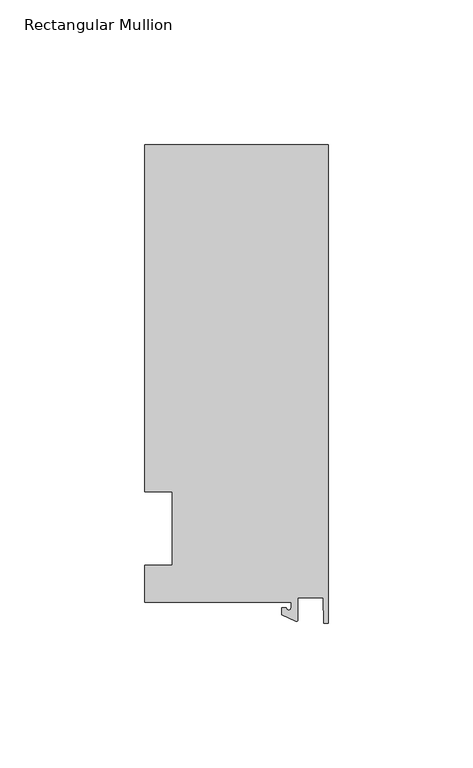
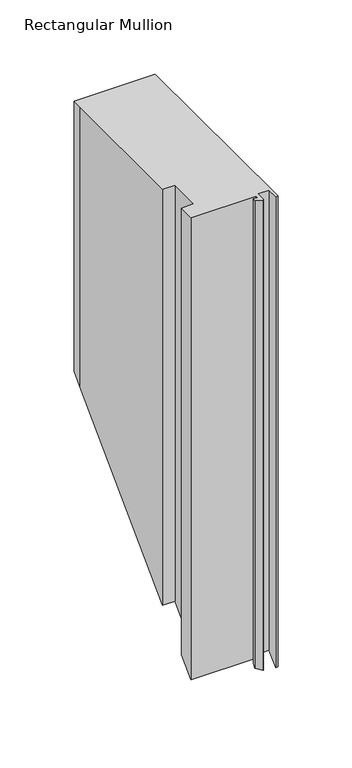
"""IFC4 building model written with IfcOpenShell, lengths in millimetres: member geometry, Rectangular Mullion."""

import ifcopenshell
import ifcopenshell.guid

model = None  # the IFC model being written
_history = None  # IfcOwnerHistory: only IFC2X3 demands one
_inside = {}  # id of a spatial element -> (the spatial element, [elements in it])
_under = {}  # id of a project, library or spatial element -> (it, [spatial elements below it])
_declared = {}  # id of a project -> (the project, [libraries it declares])
_typed = {}  # id of a type object -> (the type object, [elements of that type])
_made_of = {}  # id of a material, layer set ... -> (it, [elements and type objects made of it])


def new_model(schema):
    """Start an empty IFC model of exactly this schema.

    Asked for "IFC4X3", IfcOpenShell would pick the latest addendum, in which some entities
    have other attributes; the version numbers below select the first issue.
    IFC2X3 requires an IfcOwnerHistory on every rooted entity: one is made here for all.
    """
    global model, _history
    if schema == "IFC4X3":
        model = ifcopenshell.file(schema_version=(4, 3, 0, 0))
    else:
        model = ifcopenshell.file(schema=schema)
    _inside.clear()
    _under.clear()
    _declared.clear()
    _typed.clear()
    _made_of.clear()
    _history = None
    if model.schema == "IFC2X3":
        org = make("IfcOrganization", Name="unknown")
        user = make(
            "IfcPersonAndOrganization",
            ThePerson=make("IfcPerson", FamilyName="unknown"),
            TheOrganization=org,
        )
        app = make(
            "IfcApplication",
            ApplicationDeveloper=org,
            Version="unknown",
            ApplicationFullName="unknown",
            ApplicationIdentifier="unknown",
        )
        _history = make(
            "IfcOwnerHistory",
            OwningUser=user,
            OwningApplication=app,
            ChangeAction="ADDED",
            CreationDate=0,
        )
    return model


def make(cls, **values):
    """One entity of the class cls with the attributes given. An attribute that is None is left unset."""
    return model.create_entity(
        cls, **{name: value for name, value in values.items() if value is not None}
    )


def rooted(cls, **values):
    """An entity with a GlobalId (a new one), such as an element, a storey or a relation."""
    return make(cls, GlobalId=ifcopenshell.guid.new(), OwnerHistory=_history, **values)


def si_unit(unit_type, name, prefix=None):
    """IfcSIUnit, for example si_unit("LENGTHUNIT", "METRE", prefix="MILLI")."""
    return make("IfcSIUnit", UnitType=unit_type, Prefix=prefix, Name=name)


def assignment(units):
    """IfcUnitAssignment: the units of a project."""
    return None if units is None else make("IfcUnitAssignment", Units=units)


def point(xyz):
    """IfcCartesianPoint."""
    return None if xyz is None else make("IfcCartesianPoint", Coordinates=xyz)


def direction(xyz):
    """IfcDirection."""
    return None if xyz is None else make("IfcDirection", DirectionRatios=xyz)


def frame(location, z_axis=None, x_axis=None):
    """IfcAxis2Placement3D, a coordinate frame: its origin and axes. An axis left out is left unset."""
    return make(
        "IfcAxis2Placement3D",
        Location=point(location),
        Axis=direction(z_axis),
        RefDirection=direction(x_axis),
    )


def origin():
    """The frame at (0, 0, 0) with its axes left unset."""
    return frame((0.0, 0.0, 0.0))


def place(relative_to, where):
    """IfcLocalPlacement: puts the frame where relative to a parent placement (None: the world)."""
    return make(
        "IfcLocalPlacement", PlacementRelTo=relative_to, RelativePlacement=where
    )


def context(
    kind, dimensions, precision=None, world=None, true_north=None, identifier=None
):
    """IfcGeometricRepresentationContext, for example the 3D "Model" context."""
    return make(
        "IfcGeometricRepresentationContext",
        ContextIdentifier=identifier,
        ContextType=kind,
        CoordinateSpaceDimension=dimensions,
        Precision=precision,
        WorldCoordinateSystem=world,
        TrueNorth=true_north,
    )


def project(units=None, contexts=None):
    """IfcProject with its units and contexts."""
    return rooted(
        "IfcProject",
        Name="project",
        RepresentationContexts=contexts,
        UnitsInContext=assignment(units),
    )


def spatial(cls, under=None, at=None, **own):
    """A site, building, storey or space (cls), placed at a placement, below another one or the project."""
    s = rooted(cls, ObjectPlacement=at, **own)
    if under is not None:
        _under.setdefault(under.id(), (under, []))[1].append(s)
    return s


def polyline(points):
    """IfcPolyline through the points."""
    return make("IfcPolyline", Points=[point(p) for p in points])


def circle_curve(where, radius):
    """IfcCircle in the frame where."""
    return make("IfcCircle", Position=where, Radius=radius)


def ellipse_curve(where, semi_axis1, semi_axis2):
    """IfcEllipse in the frame where."""
    return make(
        "IfcEllipse", Position=where, SemiAxis1=semi_axis1, SemiAxis2=semi_axis2
    )


def shape(context_of_items, identifier, shape_type, items):
    """IfcShapeRepresentation: the items that make up one representation, for example the "Body"."""
    return make(
        "IfcShapeRepresentation",
        ContextOfItems=context_of_items,
        RepresentationIdentifier=identifier,
        RepresentationType=shape_type,
        Items=items,
    )


def source(mapping_origin, context_of_items, identifier, shape_type, items):
    """IfcRepresentationMap: a shape defined once, which mapped items show again and again."""
    return make(
        "IfcRepresentationMap",
        MappingOrigin=mapping_origin,
        MappedRepresentation=shape(context_of_items, identifier, shape_type, items),
    )


def transform(
    local_origin,
    x_axis=None,
    y_axis=None,
    z_axis=None,
    scale=None,
    scale2=None,
    scale3=None,
    uniform=True,
):
    """IfcCartesianTransformationOperator3D, or its non-uniform kind. x_axis, y_axis, z_axis: its Axis1, 2, 3."""
    if uniform:
        return make(
            "IfcCartesianTransformationOperator3D",
            Axis1=direction(x_axis),
            Axis2=direction(y_axis),
            LocalOrigin=point(local_origin),
            Scale=scale,
            Axis3=direction(z_axis),
        )
    return make(
        "IfcCartesianTransformationOperator3DnonUniform",
        Axis1=direction(x_axis),
        Axis2=direction(y_axis),
        LocalOrigin=point(local_origin),
        Scale=scale,
        Axis3=direction(z_axis),
        Scale2=scale2,
        Scale3=scale3,
    )


def mapped(mapping_source, mapping_target):
    """IfcMappedItem: shows the shape of a source again, moved by a transform."""
    return make(
        "IfcMappedItem", MappingSource=mapping_source, MappingTarget=mapping_target
    )


def made_of(thing, what):
    """Note that an element or type object is made of a material, layer set ...; save() writes the relation."""
    if what is not None:
        _made_of.setdefault(what.id(), (what, []))[1].append(thing)
    return thing


def element(
    cls,
    number,
    at=None,
    inside=None,
    cuts=None,
    type_object=None,
    material=None,
    context=None,
    identifier="Body",
    shape_type=None,
    held_by="IfcProductDefinitionShape",
    body=None,
    shapes=None,
    **own,
):
    """One element of the class cls, such as IfcWall. Its Tag is "e" and its number.

    at: its placement. inside: the storey or other place that contains it. cuts: it is an
    opening in that element (IfcRelVoidsElement). A single representation is given by context,
    identifier, shape_type and body (its items); several are given by shapes. held_by: the class
    of the entity that holds the representations. save() writes the other relations.
    """
    e = rooted(cls, Tag="e%d" % number, ObjectPlacement=at, **own)
    if body is not None:
        shapes = [shape(context, identifier, shape_type, body)]
    if shapes is not None:
        e.Representation = make(held_by, Representations=shapes)
    if inside is not None:
        _inside.setdefault(inside.id(), (inside, []))[1].append(e)
    if cuts is not None:
        rooted(
            "IfcRelVoidsElement", RelatingBuildingElement=cuts, RelatedOpeningElement=e
        )
    if type_object is not None:
        _typed.setdefault(type_object.id(), (type_object, []))[1].append(e)
    return made_of(e, material)


def aggregate(whole, parts):
    """IfcRelAggregates: a whole, such as a stair, and the parts it consists of."""
    return rooted("IfcRelAggregates", RelatingObject=whole, RelatedObjects=parts)


def save(model, path):
    """Write the relations noted so far, then the file.

    IfcRelAggregates (storeys below a building ...), IfcRelContainedInSpatialStructure (elements
    in a storey), IfcRelDefinesByType, IfcRelAssociatesMaterial and IfcRelDeclares: one each for
    every whole, place, type object, material and project.
    """
    for whole, parts in _under.values():
        aggregate(whole, parts)
    for where, things in _inside.values():
        rooted(
            "IfcRelContainedInSpatialStructure",
            RelatedElements=things,
            RelatingStructure=where,
        )
    for kind, things in _typed.values():
        rooted("IfcRelDefinesByType", RelatedObjects=things, RelatingType=kind)
    for what, things in _made_of.values():
        rooted("IfcRelAssociatesMaterial", RelatedObjects=things, RelatingMaterial=what)
    for by, libraries in _declared.values():
        rooted("IfcRelDeclares", RelatingContext=by, RelatedDefinitions=libraries)
    model.write(path)


def plane_surface(at):
    """IfcPlane: the flat surface through the origin of the frame at, square to its z axis."""
    return make("IfcPlane", Position=at)


def cylinder_surface(at, radius):
    """IfcCylindricalSurface: all points at the distance radius from the z axis of the frame at."""
    return make("IfcCylindricalSurface", Position=at, Radius=radius)


def revolved_surface(curve, axis_point, axis_direction):
    """IfcSurfaceOfRevolution: the curve turned about the line through axis_point along axis_direction."""
    return make(
        "IfcSurfaceOfRevolution",
        SweptCurve=make("IfcArbitraryOpenProfileDef", ProfileType="CURVE", Curve=curve),
        AxisPosition=make("IfcAxis1Placement", Location=point(axis_point), Axis=direction(axis_direction)),
    )


def advanced_brep(points, edges, surfaces, faces):
    """IfcAdvancedBrep: a solid bounded by faces that lie on surfaces and meet in shared edges.

    An edge is (start, end): straight between two places in points (the first is 0);
    or (start, end, curve); or (start, end, curve, False) where it runs against its curve.
    A face is (place in surfaces, loops), or (place, loops, False) where it looks against
    its surface's normal. A loop lists edges by number (the first is 1), with a minus sign
    where the edge is run from its end to its start. The first loop is the outer one.
    """
    corners = [point(p) for p in points]
    vertices = [make("IfcVertexPoint", VertexGeometry=c) for c in corners]
    made = []
    for start, end, *more in edges:
        made.append(
            make(
                "IfcEdgeCurve",
                EdgeStart=vertices[start],
                EdgeEnd=vertices[end],
                EdgeGeometry=more[0] if more else make("IfcPolyline", Points=[corners[start], corners[end]]),
                SameSense=more[1] if len(more) > 1 else True,
            )
        )
    hull = []
    for where, loops, *sense in faces:
        bounds = []
        for j, loop in enumerate(loops):
            ring = [make("IfcOrientedEdge", EdgeElement=made[abs(k) - 1], Orientation=k > 0) for k in loop]
            bounds.append(
                make(
                    "IfcFaceOuterBound" if j == 0 else "IfcFaceBound",
                    Bound=make("IfcEdgeLoop", EdgeList=ring),
                    Orientation=True,
                )
            )
        hull.append(make("IfcAdvancedFace", Bounds=bounds, FaceSurface=surfaces[where], SameSense=sense[0] if sense else True))
    return make("IfcAdvancedBrep", Outer=make("IfcClosedShell", CfsFaces=hull))


def rectangular_mullion_e5ec90b6(model_context):
    return source(origin(), model_context, "Body", "AdvancedBrep", [
        advanced_brep(
        [(-12.8216721, -25.5984375, 0.0), (-12.8216721, -27.5208534, 0.0), (-14.4091721, -27.5208534, 0.0), (-15.9966721, -27.5208534, 0.0), (-15.9966721, -29.8830527, 0.0), (-11.1567622, -32.1399398, 0.0), (-10.4340721, -31.6795354, 0.0), (-10.4340721, -23.9227662, 0.0), (-1.7144124, -23.9227662, 0.0), (-1.5566453, -32.810012, 0.0), (0.0, -32.810012, 0.0), (0.0, 132.822512, 0.0), (-63.5, 132.822512, 0.0), (-63.5, 125.075512, 0.0), (-63.5, 12.7, 0.0), (-53.975, 12.7, 0.0), (-53.975, -12.7, 0.0), (-63.5, -12.7, 0.0), (-63.5, -25.5984375, 0.0), (-12.8216721, -25.5984375, -381.1984375), (-12.8216721, -27.5208534, -383.1208534), (-14.4091721, -27.5208534, -383.1208534), (-15.9966721, -27.5208534, -383.1208534), (-15.9966721, -29.8830527, -385.4830527), (-11.1567622, -32.1399398, -387.7399398), (-10.4340721, -31.6795354, -387.2795354), (-10.4340721, -23.9227662, -379.5227662), (-1.7144124, -23.9227662, -379.5227662), (-1.5566453, -32.810012, -388.410012), (0.0, -32.810012, -388.410012), (0.0, 132.822512, -222.777488), (-63.5, 132.822512, -222.777488), (-63.5, 125.075512, -230.524488), (-63.5, 12.7, -342.9), (-53.975, 12.7, -342.9), (-53.975, -12.7, -368.3), (-63.5, -12.7, -368.3), (-63.5, -25.5984375, -381.1984375)],
        [
            (0, 1),
            (1, 2, circle_curve(frame((-13.6154221, -27.5208534, 0.0), z_axis=(0.0, 0.0, -1.0), x_axis=(-1.0, 0.0, 0.0)), 0.79375)),
            (2, 3),
            (3, 4),
            (4, 5),
            (5, 6, circle_curve(frame((-10.9420721, -31.6795354, 0.0), z_axis=(0.0, 0.0, 1.0), x_axis=(-1.0, 0.0, 0.0)), 0.508)),
            (6, 7),
            (7, 8),
            (8, 9),
            (9, 10),
            (10, 11),
            (11, 12),
            (12, 13),
            (13, 14),
            (14, 15),
            (15, 16),
            (16, 17),
            (17, 18),
            (18, 0),
            (0, 19),
            (19, 20),
            (20, 1),
            (20, 21, ellipse_curve(frame((-13.6154221, -27.5208534, -383.1208534), z_axis=(0.0, 0.7071067811865499, -0.7071067811865451), x_axis=(0.0, -0.7071067811865451, -0.7071067811865498)), 1.122532, 0.79375)),
            (21, 2),
            (21, 22),
            (22, 3),
            (22, 23),
            (23, 4),
            (23, 24),
            (24, 5),
            (24, 25, ellipse_curve(frame((-10.9420721, -31.6795354, -387.2795354), z_axis=(0.0, -0.7071067811865499, 0.7071067811865451), x_axis=(0.0, 0.7071067811865451, 0.7071067811865498)), 0.7184205, 0.508)),
            (25, 6),
            (25, 26),
            (26, 7),
            (26, 27),
            (27, 8),
            (27, 28),
            (28, 9),
            (28, 29),
            (29, 10),
            (29, 30),
            (30, 11),
            (30, 31),
            (31, 12),
            (31, 32),
            (32, 13),
            (32, 33),
            (33, 14),
            (33, 34),
            (34, 15),
            (34, 35),
            (35, 16),
            (35, 36),
            (36, 17),
            (36, 37),
            (37, 18),
            (37, 19),
        ],
        [
            plane_surface(frame((0.0, -147.2211591, 0.0), z_axis=(0.0, 0.0, 1.0), x_axis=(-1.0, 0.0, 0.0))),
            plane_surface(frame((-12.8216721, -25.5984375, 0.0), z_axis=(-1.0, 0.0, 0.0), x_axis=(0.0, 0.0, -1.0))),
            revolved_surface(polyline([(-14.4091721, -27.5208534, -383.91460338929886), (-14.4091721, -27.5208534, 0.0)]), (-13.6154221, -27.5208534, 0.0), (0.0, 0.0, -1.0)),
            plane_surface(frame((-14.4091721, -27.5208534, 0.0), z_axis=(0.0, 1.0, 0.0), x_axis=(0.0, 0.0, -1.0))),
            plane_surface(frame((-15.9966721, -27.5208534, 0.0), z_axis=(-1.0, 0.0, 0.0), x_axis=(0.0, 0.0, -1.0))),
            plane_surface(frame((-15.9966721, -29.8830527, 0.0), z_axis=(-0.4226182617406985, -0.9063077870366505, 0.0), x_axis=(0.0, 0.0, -1.0))),
            cylinder_surface(frame((-10.9420721, -31.6795354, 0.0), z_axis=(0.0, 0.0, 1.0), x_axis=(-1.0, 0.0, 0.0)), 0.508),
            plane_surface(frame((-10.4340721, -31.6795354, 0.0), z_axis=(1.0, 0.0, 0.0), x_axis=(0.0, 0.0, -1.0))),
            plane_surface(frame((-10.4340721, -23.9227662, 0.0), z_axis=(0.0, -1.0, 0.0), x_axis=(0.0, 0.0, -1.0))),
            plane_surface(frame((-1.7144124, -23.9227662, 0.0), z_axis=(-0.9998424690407919, -0.017749284560600327, 0.0), x_axis=(0.0, 0.0, -1.0))),
            plane_surface(frame((-1.5566453, -32.810012, 0.0), z_axis=(0.0, -1.0, 0.0), x_axis=(0.0, 0.0, -1.0))),
            plane_surface(frame((0.0, -32.810012, 0.0), z_axis=(1.0, 0.0, 0.0), x_axis=(0.0, 0.0, -1.0))),
            plane_surface(frame((0.0, 132.822512, 0.0), z_axis=(0.0, 1.0, 0.0), x_axis=(0.0, 0.0, -1.0))),
            plane_surface(frame((-63.5, 132.822512, 0.0), z_axis=(-1.0, 0.0, 0.0), x_axis=(0.0, 0.0, -1.0))),
            plane_surface(frame((-63.5, 125.075512, 0.0), z_axis=(-1.0, 0.0, 0.0), x_axis=(0.0, 0.0, -1.0))),
            plane_surface(frame((-63.5, 12.7, 0.0), z_axis=(0.0, -1.0, 0.0), x_axis=(0.0, 0.0, -1.0))),
            plane_surface(frame((-53.975, 12.7, 0.0), z_axis=(-1.0, 0.0, 0.0), x_axis=(0.0, 0.0, -1.0))),
            plane_surface(frame((-53.975, -12.7, 0.0), z_axis=(0.0, 1.0, 0.0), x_axis=(0.0, 0.0, -1.0))),
            plane_surface(frame((-63.5, -12.7, 0.0), z_axis=(-1.0, 0.0, 0.0), x_axis=(0.0, 0.0, -1.0))),
            plane_surface(frame((-63.5, -25.5984375, 0.0), z_axis=(0.0, -1.0, 0.0), x_axis=(0.0, 0.0, -1.0))),
            plane_surface(frame((-304.8, 0.0, -355.6), z_axis=(0.0, 0.7071067811865499, -0.7071067811865451), x_axis=(0.0, 0.7071067811865451, 0.7071067811865499))),
        ],
        [
            (0, [[1, 2, 3, 4, 5, 6, 7, 8, 9, 10, 11, 12, 13, 14, 15, 16, 17, 18, 19]]),
            (1, [[-1, 20, 21, 22]]),
            (2, [[-2, -22, 23, 24]]),
            (3, [[-3, -24, 25, 26]]),
            (4, [[-4, -26, 27, 28]]),
            (5, [[-5, -28, 29, 30]]),
            (6, [[-6, -30, 31, 32]]),
            (7, [[-7, -32, 33, 34]]),
            (8, [[-8, -34, 35, 36]]),
            (9, [[-9, -36, 37, 38]]),
            (10, [[-10, -38, 39, 40]]),
            (11, [[-11, -40, 41, 42]]),
            (12, [[-12, -42, 43, 44]]),
            (13, [[-13, -44, 45, 46]]),
            (14, [[-14, -46, 47, 48]]),
            (15, [[-15, -48, 49, 50]]),
            (16, [[-16, -50, 51, 52]]),
            (17, [[-17, -52, 53, 54]]),
            (18, [[-18, -54, 55, 56]]),
            (19, [[-19, -56, 57, -20]]),
            (20, [[-57, -55, -53, -51, -49, -47, -45, -43, -41, -39, -37, -35, -33, -31, -29, -27, -25, -23, -21]]),
        ],
    ),
    ])


if __name__ == "__main__":
    model = new_model("IFC4")
    model_context = context("Model", 3, world=origin())
    ifc_project = project(units=[si_unit("LENGTHUNIT", "METRE", prefix="MILLI")], contexts=[model_context])
    site = spatial("IfcSite", under=ifc_project)
    building = spatial("IfcBuilding", under=site)
    placement = place(None, origin())
    rectangular_mullion_shape = rectangular_mullion_e5ec90b6(model_context)
    element("IfcMember", 1, ObjectType="Rectangular Mullion", at=placement, inside=building, context=model_context, shape_type="MappedRepresentation", body=[
        mapped(rectangular_mullion_shape, transform((0.0, 0.0, 0.0), x_axis=(1.0, 0.0, 0.0), y_axis=(0.0, 1.0, 0.0), z_axis=(0.0, 0.0, 1.0))),
    ])
    save(model, "model.ifc")
